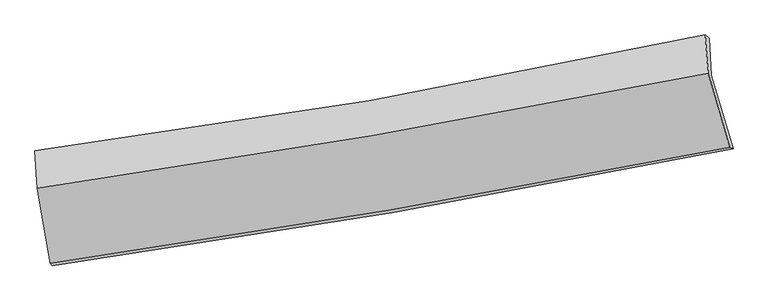
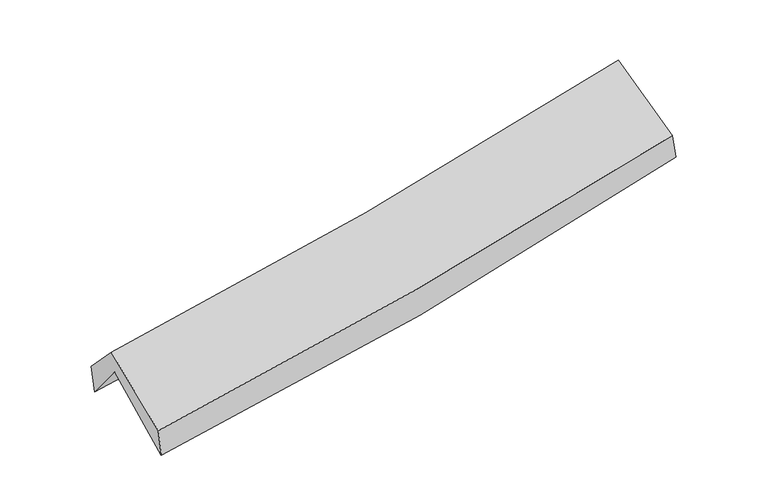
"""IFC4 building model written with IfcOpenShell, lengths in millimetres: proxy geometry."""

from ifc_helpers import new_model, si_unit, frame, origin, place, context, project, spatial, source, transform, mapped, element, save
from ifc_brep_helpers import plane_surface, spline_curve, spline_surface, advanced_brep


def generic_models_26c8d5cc(model_context):
    return source(origin(), model_context, "Body", "AdvancedBrep", [
        advanced_brep(
        [(-2218.2769443, -2458.9583188, 1482.6214106), (-2306.3793479, -1962.1365743, 1923.4692667), (2247.031717, -1170.3759167, 2349.6873759), (2394.1846162, -1667.4470557, 1930.9809603), (-2320.7180518, -1703.1265652, 1601.44075), (2232.8754454, -918.9368473, 2038.8832388), (-2335.396397, -1680.9124874, 1808.7447832), (2205.5860853, -895.8223323, 2235.617677), (-2318.7311452, -1934.6402368, 2078.4570346), (2225.6658843, -1154.5484039, 2507.6313328), (-2232.023161, -2441.8170216, 1684.8553819), (2370.4309295, -1655.6017852, 2116.4929555)],
        [
            (0, 1),
            (1, 2, spline_curve(3, [(-2306.3793479, -1962.1365743, 1923.4692667), (-1544.99709069, -1865.607262995, 1960.130318691), (-787.973870812, -1752.053972768, 2013.543193023), (729.977252484, -1488.709552044, 2155.049302585), (1490.757720883, -1338.342623387, 2243.709131293), (2247.031717, -1170.3759167, 2349.6873759)], [4, 2, 4], [0.0, 7.602927166912669, 15.333361278469772])),
            (2, 3),
            (3, 0, spline_curve(3, [(2394.1846162, -1667.4470557, 1930.9809603), (1627.062138564, -1823.556078621, 1822.757699966), (855.899479882, -1968.022337844, 1731.108763637), (-681.719886483, -2231.478517817, 1582.197829935), (-1448.044414822, -2350.849346464, 1524.393583346), (-2218.2769443, -2458.9583188, 1482.6214106)], [4, 2, 4], [0.0, 7.730434111557103, 15.333361278469772])),
            (1, 4),
            (4, 5, spline_curve(3, [(-2320.7180518, -1703.1265652, 1601.44075), (-1560.570611128, -1600.169016698, 1640.199664757), (-804.154982959, -1483.995342467, 1695.590066172), (713.835736701, -1223.045776129, 1840.841705773), (1475.284607426, -1077.822877653, 1931.265467168), (2232.8754454, -918.9368473, 2038.8832388)], [4, 2, 4], [0.0, 7.55442721685533, 15.23554799683618])),
            (5, 2),
            (4, 6),
            (6, 7, spline_curve(3, [(-2335.396397, -1680.9124874, 1808.7447832), (-1576.567194107, -1583.613073215, 1844.55586226), (-821.849677954, -1470.218197888, 1897.593877705), (691.950218253, -1209.065873239, 2039.302179262), (1450.893529638, -1060.764029981, 2128.555128328), (2205.5860853, -895.8223323, 2235.617677)], [4, 2, 4], [0.0, 7.543591536842937, 15.213694914111546])),
            (7, 5),
            (6, 8),
            (8, 9, spline_curve(3, [(-2318.7311452, -1934.6402368, 2078.4570346), (-1562.79823778, -1825.824140827, 2131.131535459), (-809.261078894, -1707.032668872, 2192.859984637), (705.618961904, -1447.3394529, 2335.611854081), (1466.88081271, -1306.100314178, 2416.941504543), (2225.6658843, -1154.5484039, 2507.6313328)], [4, 2, 4], [0.0, 7.533802329438991, 15.19395232675548])),
            (9, 7),
            (8, 10),
            (10, 11, spline_curve(3, [(-2232.023161, -2441.8170216, 1684.8553819), (-1465.442301255, -2332.05315923, 1737.299015365), (-701.778934492, -2212.28203104, 1799.112943804), (832.471106745, -1950.54875913, 1942.675205254), (1602.959103568, -1808.248142142, 2024.740467949), (2370.4309295, -1655.6017852, 2116.4929555)], [4, 2, 4], [0.0, 7.582087830631582, 15.291333114186937])),
            (11, 9),
            (10, 0),
            (3, 11),
        ],
        [
            spline_surface(3, 3, [[(-2218.2769443, -2458.9583188, 1482.6214106), (-1448.044414768, -2350.84934646, 1524.39358323), (-681.719886478, -2231.478517919, 1582.197829983), (855.899479877, -1968.02233774, 1731.108763589), (1627.062138461, -1823.55607854, 1822.757700079), (2394.1846162, -1667.4470557, 1930.9809603)], [(-2247.644412186, -2293.351070657, 1629.570695948), (-1480.361973418, -2189.101985362, 1669.639161698), (-717.137881249, -2071.670336198, 1725.979617669), (813.925404044, -1808.251409222, 1872.422276587), (1581.627332584, -1661.818260137, 1963.074843805), (2345.133649823, -1501.756676035, 2070.549765485)], [(-2277.011880014, -2127.743822443, 1776.519981352), (-1512.67953201, -2027.354624193, 1814.884740224), (-752.555875977, -1911.862154413, 1869.761405347), (771.951328252, -1648.48048064, 2013.735789576), (1536.19252664, -1500.080441728, 2103.391987575), (2296.082683377, -1336.066296365, 2210.118570715)], [(-2306.3793479, -1962.1365743, 1923.4692667), (-1544.99709066, -1865.607263095, 1960.130318692), (-787.973870748, -1752.053972692, 2013.543193034), (729.977252419, -1488.709552121, 2155.049302575), (1490.757720763, -1338.342623325, 2243.709131301), (2247.031717, -1170.3759167, 2349.6873759)]], [4, 4], [4, 2, 4], [0.0, 2.1417000789714926], [0.0, 7.602927166912669, 15.333361278469772]),
            spline_surface(3, 3, [[(-2306.3793479, -1962.1365743, 1923.4692667), (-1544.99709066, -1865.607263095, 1960.130318692), (-787.973870748, -1752.053972692, 2013.543193034), (729.977252419, -1488.709552121, 2155.049302575), (1490.757720763, -1338.342623325, 2243.709131301), (2247.031717, -1170.3759167, 2349.6873759)], [(-2311.15891586, -1875.799904598, 1816.126427788), (-1550.188264146, -1777.127847594, 1853.486767345), (-793.367574749, -1662.701095919, 1907.558817422), (724.596747167, -1400.154960116, 2050.313436956), (1485.600016278, -1251.502708116, 2139.561243245), (2242.312959795, -1086.562893569, 2246.085996883)], [(-2315.93848384, -1789.463234902, 1708.783588912), (-1555.379437652, -1688.648432099, 1746.843216033), (-798.761278837, -1573.348219205, 1801.574441824), (719.216241829, -1311.60036817, 1945.57757135), (1480.442311808, -1164.6627929, 2035.413355139), (2237.594202605, -1002.749870431, 2142.484617817)], [(-2320.7180518, -1703.1265652, 1601.44075), (-1560.570611139, -1600.169016598, 1640.199664686), (-804.154982838, -1483.995342431, 1695.590066212), (713.835736578, -1223.045776165, 1840.841705731), (1475.284607323, -1077.822877691, 1931.265467083), (2232.8754454, -918.9368473, 2038.8832388)]], [4, 4], [4, 2, 4], [0.0, 1.358093916791644], [0.0, 7.55442721685533, 15.23554799683618]),
            spline_surface(3, 3, [[(-2320.7180518, -1703.1265652, 1601.44075), (-1560.570611139, -1600.169016598, 1640.199664686), (-804.154982838, -1483.995342431, 1695.590066212), (713.835736578, -1223.045776165, 1840.841705731), (1475.284607323, -1077.822877691, 1931.265467083), (2232.8754454, -918.9368473, 2038.8832388)], [(-2325.610833518, -1695.721872607, 1670.542094403), (-1565.902805428, -1594.650368778, 1708.318397214), (-810.053214561, -1479.402960956, 1762.924670056), (706.540563779, -1218.385808495, 1906.995196865), (1467.154248076, -1072.13659509, 1997.028687447), (2223.778992035, -911.232008946, 2104.461384844)], [(-2330.503615282, -1688.317179993, 1739.643438797), (-1571.234999763, -1589.131720937, 1776.437129731), (-815.951446222, -1474.810579463, 1830.259273945), (699.245391043, -1213.725840808, 1973.148688044), (1459.023888825, -1066.450312552, 2062.79190788), (2214.682538665, -903.527170654, 2170.039530956)], [(-2335.396397, -1680.9124874, 1808.7447832), (-1576.567194052, -1583.613073117, 1844.555862259), (-821.849677946, -1470.218197987, 1897.593877789), (691.950218245, -1209.065873138, 2039.302179177), (1450.893529578, -1060.764029951, 2128.555128244), (2205.5860853, -895.8223323, 2235.617677)]], [4, 4], [4, 2, 4], [0.0, 0.6616151155229344], [0.0, 7.543591536842937, 15.213694914111546]),
            spline_surface(3, 3, [[(-2335.396397, -1680.9124874, 1808.7447832), (-1576.567194052, -1583.613073117, 1844.555862259), (-821.849677946, -1470.218197987, 1897.593877789), (691.950218245, -1209.065873138, 2039.302179177), (1450.893529578, -1060.764029951, 2128.555128244), (2205.5860853, -895.8223323, 2235.617677)], [(-2329.841313083, -1765.488403848, 1898.648867021), (-1571.977541969, -1664.35009569, 1940.081086717), (-817.653478242, -1549.156354921, 1996.015913415), (696.506466137, -1288.490399745, 2138.072070846), (1456.222623986, -1142.542791335, 2224.683920341), (2212.279351623, -982.064356163, 2326.288895606)], [(-2324.286229117, -1850.064320352, 1988.552950779), (-1567.387889839, -1745.087118319, 2035.606311112), (-813.457278578, -1628.094511868, 2094.437948974), (701.06271399, -1367.914926365, 2236.841962449), (1461.551718423, -1224.32155273, 2320.81271242), (2218.972617977, -1068.306380037, 2416.960114194)], [(-2318.7311452, -1934.6402368, 2078.4570346), (-1562.798237756, -1825.824140893, 2131.131535571), (-809.261078874, -1707.032668802, 2192.8599846), (705.618961883, -1447.339452971, 2335.611854119), (1466.88081283, -1306.100314115, 2416.941504517), (2225.6658843, -1154.5484039, 2507.6313328)]], [4, 4], [4, 2, 4], [0.0, 1.2454266145782562], [0.0, 7.533802329438991, 15.19395232675548]),
            spline_surface(3, 3, [[(-2318.7311452, -1934.6402368, 2078.4570346), (-1562.798237756, -1825.824140893, 2131.131535571), (-809.261078874, -1707.032668802, 2192.8599846), (705.618961883, -1447.339452971, 2335.611854119), (1466.88081283, -1306.100314115, 2416.941504517), (2225.6658843, -1154.5484039, 2507.6313328)], [(-2289.828483788, -2103.69916507, 1947.256483677), (-1530.346258886, -1994.567147002, 1999.854028782), (-773.433697418, -1875.449122872, 2061.610970972), (747.903010184, -1615.075888408, 2204.632971182), (1512.240243102, -1473.482923424, 2286.207825693), (2273.920899383, -1321.566197671, 2377.251873696)], [(-2260.925822412, -2272.75809333, 1816.055932823), (-1497.894280053, -2163.310153101, 1868.57652206), (-737.606315975, -2043.865576881, 1930.361957361), (790.187058472, -1782.812323783, 2073.654088263), (1557.599673323, -1640.865532719, 2155.47414688), (2322.175914417, -1488.583991429, 2246.872414604)], [(-2232.023161, -2441.8170216, 1684.8553819), (-1465.442301183, -2332.053159211, 1737.299015271), (-701.778934519, -2212.282030952, 1799.112943733), (832.471106773, -1950.54875922, 1942.675205326), (1602.959103595, -1808.248142028, 2024.740468055), (2370.4309295, -1655.6017852, 2116.4929555)]], [4, 4], [4, 2, 4], [0.0, 2.1330719250798187], [0.0, 7.582087830631582, 15.291333114186937]),
            spline_surface(3, 3, [[(-2232.023161, -2441.8170216, 1684.8553819), (-1465.442301183, -2332.053159211, 1737.299015271), (-701.778934519, -2212.282030952, 1799.112943733), (832.471106773, -1950.54875922, 1942.675205326), (1602.959103595, -1808.248142028, 2024.740468055), (2370.4309295, -1655.6017852, 2116.4929555)], [(-2227.441088766, -2447.530787319, 1617.444058162), (-1459.643005711, -2338.318554946, 1666.330537953), (-695.092585184, -2218.680859918, 1726.807905817), (840.280564462, -1956.37328537, 1872.153058081), (1610.993448524, -1813.350787547, 1957.412878749), (2378.348825041, -1659.550208715, 2054.655623786)], [(-2222.859016534, -2453.244553081, 1550.032734338), (-1453.843710241, -2344.583950724, 1595.362060549), (-688.406235813, -2225.079688953, 1654.5028679), (848.090022187, -1962.19781159, 1801.630910834), (1619.027793532, -1818.453433021, 1890.085289385), (2386.266720659, -1663.498632185, 1992.818292014)], [(-2218.2769443, -2458.9583188, 1482.6214106), (-1448.044414768, -2350.84934646, 1524.39358323), (-681.719886478, -2231.478517919, 1582.197829983), (855.899479877, -1968.02233774, 1731.108763589), (1627.062138461, -1823.55607854, 1822.757700079), (2394.1846162, -1667.4470557, 1930.9809603)]], [4, 4], [4, 2, 4], [0.0, 0.7089126803469262], [0.0, 7.640176020514296, 15.408483677638369]),
            plane_surface(frame((2279.2957796, -1243.7887235, 2196.5489234), z_axis=(0.9745748708710607, 0.19382274285151888, 0.11241247893436768), x_axis=(0.22205927557544433, -0.7685802238167683, -0.5999784310195454))),
            plane_surface(frame((-2288.5875079, -2030.2652007, 1763.2647712), z_axis=(-0.9904931732553014, -0.12533193761006997, -0.05670254976232697), x_axis=(-0.06757418206076855, 0.08426384945941301, 0.9941495529310967))),
        ],
        [
            (0, [[1, 2, 3, 4]]),
            (1, [[5, 6, 7, -2]]),
            (2, [[8, 9, 10, -6]]),
            (3, [[11, 12, 13, -9]]),
            (4, [[14, 15, 16, -12]]),
            (5, [[17, -4, 18, -15]]),
            (6, [[-16, -18, -3, -7, -10, -13]]),
            (7, [[-17, -14, -11, -8, -5, -1]]),
        ],
    ),
    ])


if __name__ == "__main__":
    model = new_model("IFC4")
    model_context = context("Model", 3, world=origin())
    ifc_project = project(units=[si_unit("LENGTHUNIT", "METRE", prefix="MILLI")], contexts=[model_context])
    site = spatial("IfcSite", under=ifc_project)
    building = spatial("IfcBuilding", under=site)
    placement = place(None, origin())
    generic_models_shape = generic_models_26c8d5cc(model_context)
    element("IfcBuildingElementProxy", 1, Name="Generic Models", at=placement, inside=building, context=model_context, shape_type="MappedRepresentation", body=[
        mapped(generic_models_shape, transform((0.0, 0.0, 0.0), x_axis=(1.0, 0.0, 0.0), y_axis=(0.0, 1.0, 0.0), z_axis=(0.0, 0.0, 1.0))),
    ])
    save(model, "model.ifc")
